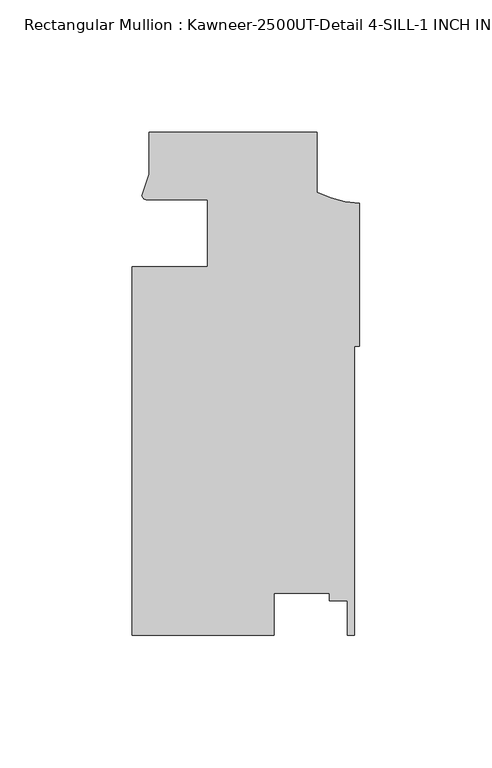
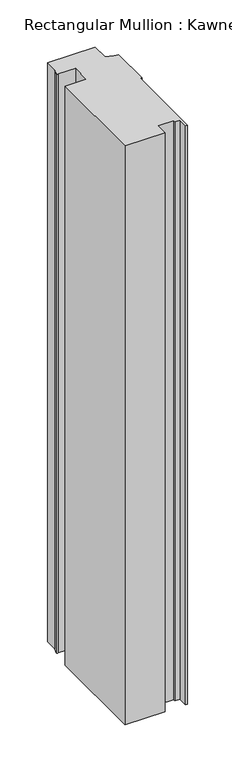
"""IFC4 building model written with IfcOpenShell, lengths in millimetres: member geometry, Rectangular Mullion : Kawneer-2500UT-Detail 4-SILL-1 INCH INFILL."""

from ifc_helpers import new_model, si_unit, point, frame, frame_2d, origin, place, context, project, spatial, polyline, circle_curve, trimmed, segment, composite_curve, outline, extrude, source, transform, mapped, element, save


def rectangular_mullion_kawneer_2500ut_detail_4_sill_1_inch_c519bb02(model_context):
    return source(origin(), model_context, "Body", "SweptSolid", [
        extrude(outline(composite_curve([segment(polyline([(-85.8686733, -25.4669077), (-57.2936733, -25.4663259), (-57.2936733, -0.3840879)]), True, "CONTINUOUS"), segment(trimmed(circle_curve(frame_2d((-75.2179215, -461.0742748)), 461.0387479), [point((-57.2936733, -0.3840879))], [point((-80.5528021, -0.0663941))], True, "CARTESIAN"), True, "CONTINUOUS"), segment(trimmed(circle_curve(frame_2d((-80.4699106, 1.6349568)), 1.703369), [point((-80.5528021, -0.0663941))], [point((-82.1695285, 1.5219741))], False, "CARTESIAN"), True, "CONTINUOUS"), segment(polyline([(-82.1695285, 1.5219741), (-79.5186733, 9.4586425), (-79.5186733, 25.3335448), (-16.0186733, 25.3335448), (-16.0186733, 2.7958317)]), True, "CONTINUOUS"), segment(trimmed(circle_curve(frame_2d((1.9299154, 37.9143473)), 39.4393455), [point((-16.0186733, 2.7958317))], [point((0.0, -1.4777509))], True, "CARTESIAN"), True, "CONTINUOUS"), segment(polyline([(0.0, -1.4777509), (0.0, -55.5105127), (-1.8773984, -55.5105127), (-1.8773984, -164.6584552), (-4.4489746, -164.6584552), (-4.4489746, -151.614656), (-11.3069744, -151.614656), (-11.3069744, -148.7600507), (-32.2536236, -148.7600507), (-32.2536236, -164.6584552), (-85.8686733, -164.6584552), (-85.8686733, -25.4669077)]), True, "CONTINUOUS")], self_intersect=False)), frame((0.0, 0.0, -819.15), z_axis=(0.0, 0.0, 1.0), x_axis=(1.0, 0.0, 0.0)), (0.0, 0.0, 1.0), 819.15),
    ])


if __name__ == "__main__":
    model = new_model("IFC4")
    model_context = context("Model", 3, world=origin())
    ifc_project = project(units=[si_unit("LENGTHUNIT", "METRE", prefix="MILLI")], contexts=[model_context])
    site = spatial("IfcSite", under=ifc_project)
    building = spatial("IfcBuilding", under=site)
    placement = place(None, origin())
    rectangular_mullion_kawneer_2500ut_detail_4_sill_1_inch_shape = rectangular_mullion_kawneer_2500ut_detail_4_sill_1_inch_c519bb02(model_context)
    element("IfcMember", 1, ObjectType="Rectangular Mullion : Kawneer-2500UT-Detail 4-SILL-1 INCH INFILL", at=placement, inside=building, context=model_context, shape_type="MappedRepresentation", body=[
        mapped(rectangular_mullion_kawneer_2500ut_detail_4_sill_1_inch_shape, transform((0.0, 0.0, 0.0), x_axis=(1.0, 0.0, 0.0), y_axis=(0.0, 1.0, 0.0), z_axis=(0.0, 0.0, 1.0))),
    ])
    save(model, "model.ifc")
